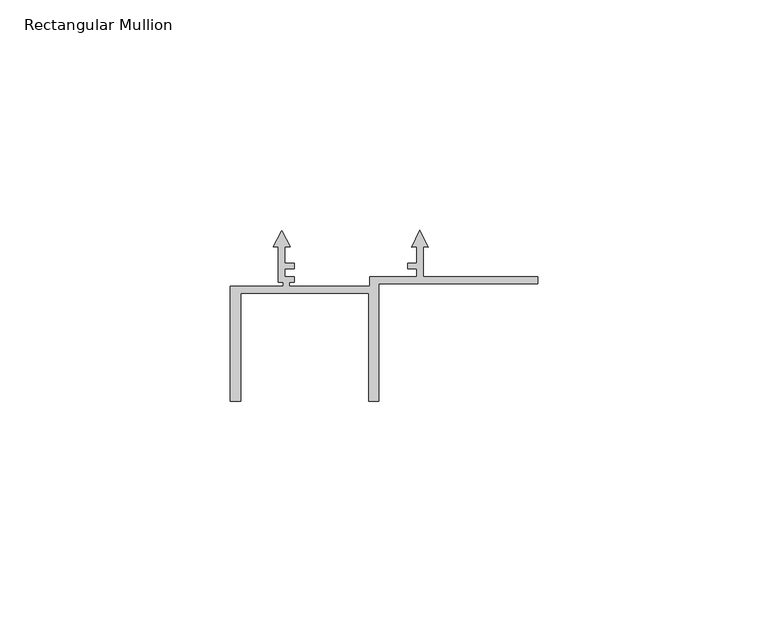
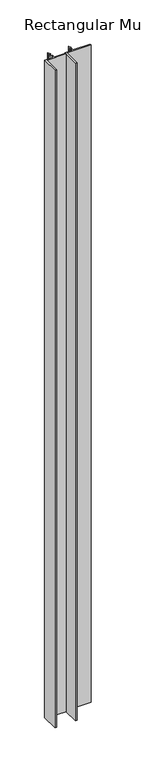
"""IFC4 building model written with IfcOpenShell, lengths in millimetres: member geometry, Rectangular Mullion."""

from ifc_helpers import new_model, si_unit, frame, origin, place, context, project, spatial, polyline, outline, extrude, source, transform, mapped, element, save


def rectangular_mullion_e9b3b9de(model_context):
    return source(origin(), model_context, "Body", "SweptSolid", [
        extrude(outline(polyline([(66.6, -36.1000494), (32.2, -36.1000494), (32.2, -61.6000494), (30.0, -61.6000494), (30.0, -38.1000494), (2.2, -38.1000494), (2.2, -61.6000494), (0.0, -61.6000494), (0.0, -36.6000494), (11.4, -36.6000494), (11.4, -35.8015754), (10.3999985, -35.8015754), (10.3999985, -28.0038712), (9.284262, -28.1014855), (11.0999986, -24.537898), (12.9157351, -28.1014855), (11.7999987, -28.0038712), (11.7999987, -31.5979618), (13.7875618, -31.5979618), (13.7875618, -32.8000494), (11.8091794, -32.8000494), (11.8091794, -34.6000494), (13.7880766, -34.6000494), (13.7880766, -35.8015754), (12.8, -35.8015754), (12.8, -36.6000494), (30.1732051, -36.6000494), (30.1732051, -34.6000494), (40.3999995, -34.6000494), (40.3999995, -32.8000494), (38.4077357, -32.8000494), (38.4077357, -31.599221), (40.3999998, -31.599221), (40.3999998, -28.0071867), (39.2744672, -28.1056581), (41.0999986, -24.5228474), (42.9255299, -28.1056578), (41.8, -28.0071867), (41.8, -34.6000494), (66.6, -34.6000494), (66.6, -36.1000494)])), frame((0.0, 0.0, -1000.0), z_axis=(0.0, 0.0, 1.0), x_axis=(1.0, 0.0, 0.0)), (0.0, 0.0, 1.0), 1000.0),
    ])


if __name__ == "__main__":
    model = new_model("IFC4")
    model_context = context("Model", 3, world=origin())
    ifc_project = project(units=[si_unit("LENGTHUNIT", "METRE", prefix="MILLI")], contexts=[model_context])
    site = spatial("IfcSite", under=ifc_project)
    building = spatial("IfcBuilding", under=site)
    placement = place(None, origin())
    rectangular_mullion_shape = rectangular_mullion_e9b3b9de(model_context)
    element("IfcMember", 1, ObjectType="Rectangular Mullion", at=placement, inside=building, context=model_context, shape_type="MappedRepresentation", body=[
        mapped(rectangular_mullion_shape, transform((0.0, 0.0, 0.0), x_axis=(1.0, 0.0, 0.0), y_axis=(0.0, 1.0, 0.0), z_axis=(0.0, 0.0, 1.0))),
    ])
    save(model, "model.ifc")
